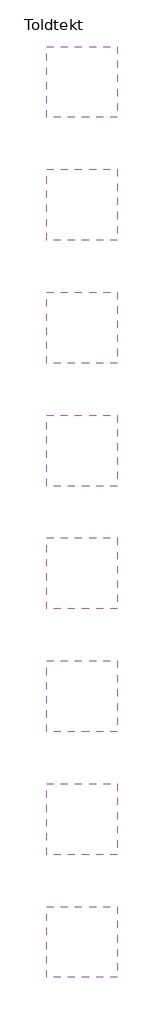
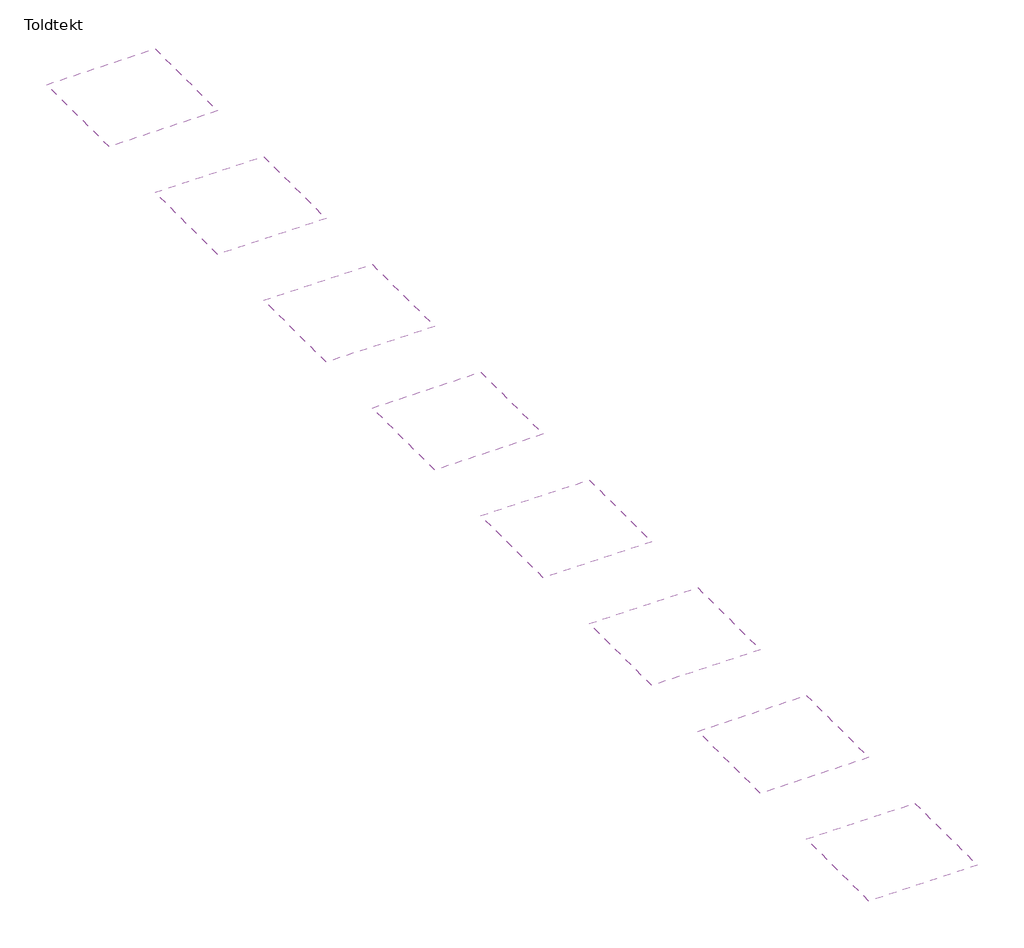
# One storey: 8 coverings.
"""IFC4 building model written with IfcOpenShell, lengths in millimetres."""

from ifc_helpers import new_model, si_unit, frame, origin, place, context, project, spatial, polyline, outline, extrude, element, save

model = new_model("IFC4")

# Units and contexts
model_context = context("Model", 3, world=origin())
ifc_project = project(units=[si_unit("LENGTHUNIT", "METRE", prefix="MILLI")], contexts=[model_context])

# Site, building, storey
site = spatial("IfcSite", under=ifc_project)
building = spatial("IfcBuilding", under=site)
storey = spatial("IfcBuildingStorey", under=building, Name="Toldtekt", Elevation=0.0)

# Coverings
placement = place(None, origin())
element("IfcCovering", 1, ObjectType="Troldtekt_C60var-C60str_35mm, 600X1200 running bond", at=placement, inside=storey, context=model_context, shape_type="SweptSolid", body=[
    extrude(outline(polyline([(17169.5723108, 24163.0097108), (17169.5723108, 21163.0097108), (14169.5723108, 21163.0097108), (14169.5723108, 24163.0097108), (17169.5723108, 24163.0097108)])), frame((0.0, 0.0, 2600.0), z_axis=(0.0, 0.0, 1.0), x_axis=(1.0, 0.0, 0.0)), (0.0, 0.0, 1.0), 62.0),
])
element("IfcCovering", 2, ObjectType="Troldtekt_C60var-C60str_35mm, 600X1200 stack bond", at=placement, inside=storey, context=model_context, shape_type="SweptSolid", body=[
    extrude(outline(polyline([(17169.5723108, 18963.021805), (17169.5723108, 15963.021805), (14169.5723108, 15963.021805), (14169.5723108, 18963.021805), (17169.5723108, 18963.021805)])), frame((0.0, 0.0, 2600.0), z_axis=(0.0, 0.0, 1.0), x_axis=(1.0, 0.0, 0.0)), (0.0, 0.0, 1.0), 62.0),
])
element("IfcCovering", 3, ObjectType="Troldtekt_C60var-C60str_35mm, 600X2000 running bond", at=placement, inside=storey, context=model_context, shape_type="SweptSolid", body=[
    extrude(outline(polyline([(17169.5723108, 13763.0338993), (17169.5723108, 10763.0338993), (14169.5723108, 10763.0338993), (14169.5723108, 13763.0338993), (17169.5723108, 13763.0338993)])), frame((0.0, 0.0, 2600.0), z_axis=(0.0, 0.0, 1.0), x_axis=(1.0, 0.0, 0.0)), (0.0, 0.0, 1.0), 62.0),
])
element("IfcCovering", 4, ObjectType="Troldtekt_C60var-C60str_35mm, 600X2000 stack bond", at=placement, inside=storey, context=model_context, shape_type="SweptSolid", body=[
    extrude(outline(polyline([(17169.5723108, 8563.0459935), (17169.5723108, 5563.0459935), (14169.5723108, 5563.0459935), (14169.5723108, 8563.0459935), (17169.5723108, 8563.0459935)])), frame((0.0, 0.0, 2600.0), z_axis=(0.0, 0.0, 1.0), x_axis=(1.0, 0.0, 0.0)), (0.0, 0.0, 1.0), 62.0),
])
element("IfcCovering", 5, ObjectType="Troldtekt_C60var-C60str_35mm, 600X2400 running bond", at=placement, inside=storey, context=model_context, shape_type="SweptSolid", body=[
    extrude(outline(polyline([(17169.5723108, 3363.0580878), (17169.5723108, 363.0580878), (14169.5723108, 363.0580878), (14169.5723108, 3363.0580878), (17169.5723108, 3363.0580878)])), frame((0.0, 0.0, 2600.0), z_axis=(0.0, 0.0, 1.0), x_axis=(1.0, 0.0, 0.0)), (0.0, 0.0, 1.0), 62.0),
])
element("IfcCovering", 6, ObjectType="Troldtekt_C60var-C60str_35mm, 600X2400 stack bond", at=placement, inside=storey, context=model_context, shape_type="SweptSolid", body=[
    extrude(outline(polyline([(17169.5723108, -1836.929818), (17169.5723108, -4836.929818), (14169.5723108, -4836.929818), (14169.5723108, -1836.929818), (17169.5723108, -1836.929818)])), frame((0.0, 0.0, 2600.0), z_axis=(0.0, 0.0, 1.0), x_axis=(1.0, 0.0, 0.0)), (0.0, 0.0, 1.0), 62.0),
])
element("IfcCovering", 7, ObjectType="Troldtekt_C60var-C60str_35mm, 600X600 running bond", at=placement, inside=storey, context=model_context, shape_type="SweptSolid", body=[
    extrude(outline(polyline([(17169.5723108, 34562.9855223), (17169.5723108, 31562.9855223), (14169.5723108, 31562.9855223), (14169.5723108, 34562.9855223), (17169.5723108, 34562.9855223)])), frame((0.0, 0.0, 2600.0), z_axis=(0.0, 0.0, 1.0), x_axis=(1.0, 0.0, 0.0)), (0.0, 0.0, 1.0), 62.0),
])
element("IfcCovering", 8, ObjectType="Troldtekt_C60var-C60str_35mm, 600X600 stack bond", at=placement, inside=storey, context=model_context, shape_type="SweptSolid", body=[
    extrude(outline(polyline([(17169.5723108, 29362.9976165), (17169.5723108, 26362.9976165), (14169.5723108, 26362.9976165), (14169.5723108, 29362.9976165), (17169.5723108, 29362.9976165)])), frame((0.0, 0.0, 2600.0), z_axis=(0.0, 0.0, 1.0), x_axis=(1.0, 0.0, 0.0)), (0.0, 0.0, 1.0), 62.0),
])

save(model, "model.ifc")
